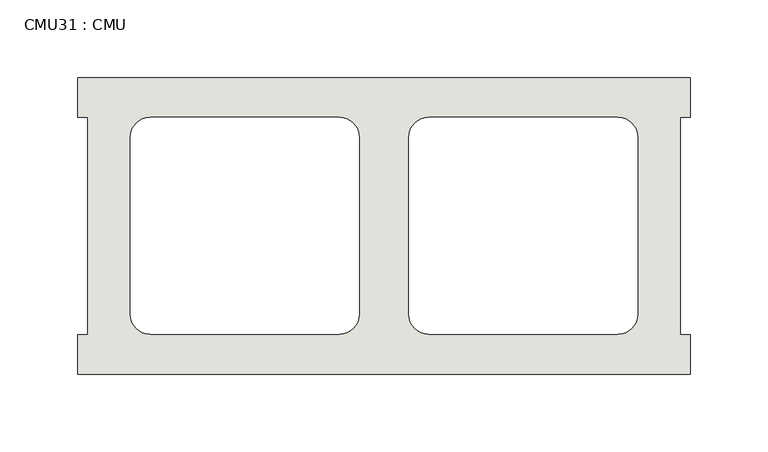
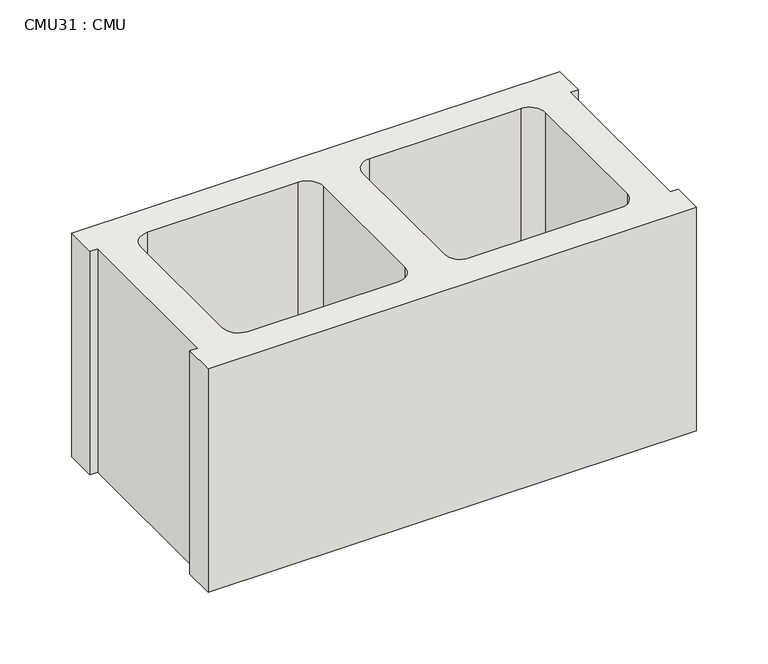
"""IFC4 building model written with IfcOpenShell, lengths in millimetres: wall geometry, CMU31 : CMU."""

import ifcopenshell
import ifcopenshell.guid

model = None  # the IFC model being written
_history = None  # IfcOwnerHistory: only IFC2X3 demands one
_inside = {}  # id of a spatial element -> (the spatial element, [elements in it])
_under = {}  # id of a project, library or spatial element -> (it, [spatial elements below it])
_declared = {}  # id of a project -> (the project, [libraries it declares])
_typed = {}  # id of a type object -> (the type object, [elements of that type])
_made_of = {}  # id of a material, layer set ... -> (it, [elements and type objects made of it])


def new_model(schema):
    """Start an empty IFC model of exactly this schema.

    Asked for "IFC4X3", IfcOpenShell would pick the latest addendum, in which some entities
    have other attributes; the version numbers below select the first issue.
    IFC2X3 requires an IfcOwnerHistory on every rooted entity: one is made here for all.
    """
    global model, _history
    if schema == "IFC4X3":
        model = ifcopenshell.file(schema_version=(4, 3, 0, 0))
    else:
        model = ifcopenshell.file(schema=schema)
    _inside.clear()
    _under.clear()
    _declared.clear()
    _typed.clear()
    _made_of.clear()
    _history = None
    if model.schema == "IFC2X3":
        org = make("IfcOrganization", Name="unknown")
        user = make(
            "IfcPersonAndOrganization",
            ThePerson=make("IfcPerson", FamilyName="unknown"),
            TheOrganization=org,
        )
        app = make(
            "IfcApplication",
            ApplicationDeveloper=org,
            Version="unknown",
            ApplicationFullName="unknown",
            ApplicationIdentifier="unknown",
        )
        _history = make(
            "IfcOwnerHistory",
            OwningUser=user,
            OwningApplication=app,
            ChangeAction="ADDED",
            CreationDate=0,
        )
    return model


def make(cls, **values):
    """One entity of the class cls with the attributes given. An attribute that is None is left unset."""
    return model.create_entity(
        cls, **{name: value for name, value in values.items() if value is not None}
    )


def rooted(cls, **values):
    """An entity with a GlobalId (a new one), such as an element, a storey or a relation."""
    return make(cls, GlobalId=ifcopenshell.guid.new(), OwnerHistory=_history, **values)


def si_unit(unit_type, name, prefix=None):
    """IfcSIUnit, for example si_unit("LENGTHUNIT", "METRE", prefix="MILLI")."""
    return make("IfcSIUnit", UnitType=unit_type, Prefix=prefix, Name=name)


def assignment(units):
    """IfcUnitAssignment: the units of a project."""
    return None if units is None else make("IfcUnitAssignment", Units=units)


def point(xyz):
    """IfcCartesianPoint."""
    return None if xyz is None else make("IfcCartesianPoint", Coordinates=xyz)


def direction(xyz):
    """IfcDirection."""
    return None if xyz is None else make("IfcDirection", DirectionRatios=xyz)


def frame(location, z_axis=None, x_axis=None):
    """IfcAxis2Placement3D, a coordinate frame: its origin and axes. An axis left out is left unset."""
    return make(
        "IfcAxis2Placement3D",
        Location=point(location),
        Axis=direction(z_axis),
        RefDirection=direction(x_axis),
    )


def frame_2d(location, x_axis=None):
    """IfcAxis2Placement2D, a coordinate frame in the plane: its origin and x axis."""
    return make(
        "IfcAxis2Placement2D", Location=point(location), RefDirection=direction(x_axis)
    )


def origin():
    """The frame at (0, 0, 0) with its axes left unset."""
    return frame((0.0, 0.0, 0.0))


def place(relative_to, where):
    """IfcLocalPlacement: puts the frame where relative to a parent placement (None: the world)."""
    return make(
        "IfcLocalPlacement", PlacementRelTo=relative_to, RelativePlacement=where
    )


def context(
    kind, dimensions, precision=None, world=None, true_north=None, identifier=None
):
    """IfcGeometricRepresentationContext, for example the 3D "Model" context."""
    return make(
        "IfcGeometricRepresentationContext",
        ContextIdentifier=identifier,
        ContextType=kind,
        CoordinateSpaceDimension=dimensions,
        Precision=precision,
        WorldCoordinateSystem=world,
        TrueNorth=true_north,
    )


def project(units=None, contexts=None):
    """IfcProject with its units and contexts."""
    return rooted(
        "IfcProject",
        Name="project",
        RepresentationContexts=contexts,
        UnitsInContext=assignment(units),
    )


def spatial(cls, under=None, at=None, **own):
    """A site, building, storey or space (cls), placed at a placement, below another one or the project."""
    s = rooted(cls, ObjectPlacement=at, **own)
    if under is not None:
        _under.setdefault(under.id(), (under, []))[1].append(s)
    return s


def polyline(points):
    """IfcPolyline through the points."""
    return make("IfcPolyline", Points=[point(p) for p in points])


def circle_curve(where, radius):
    """IfcCircle in the frame where."""
    return make("IfcCircle", Position=where, Radius=radius)


def trimmed(basis, trim1, trim2, sense, master):
    """IfcTrimmedCurve: the piece of a basis curve between two trims."""
    return make(
        "IfcTrimmedCurve",
        BasisCurve=basis,
        Trim1=trim1,
        Trim2=trim2,
        SenseAgreement=sense,
        MasterRepresentation=master,
    )


def segment(curve, same_sense, transition):
    """IfcCompositeCurveSegment."""
    return make(
        "IfcCompositeCurveSegment",
        Transition=transition,
        SameSense=same_sense,
        ParentCurve=curve,
    )


def composite_curve(segments, self_intersect=None):
    """IfcCompositeCurve: segments joined end to end."""
    return make("IfcCompositeCurve", Segments=segments, SelfIntersect=self_intersect)


def outline(outer, holes=None, kind="AREA"):
    """IfcArbitraryClosedProfileDef: a profile drawn as a closed curve; with holes, ...WithVoids."""
    if holes is None:
        return make("IfcArbitraryClosedProfileDef", ProfileType=kind, OuterCurve=outer)
    return make(
        "IfcArbitraryProfileDefWithVoids",
        ProfileType=kind,
        OuterCurve=outer,
        InnerCurves=holes,
    )


def extrude(swept, where, along, depth):
    """IfcExtrudedAreaSolid: the profile swept, set in the frame where, extruded along a direction by depth."""
    return make(
        "IfcExtrudedAreaSolid",
        SweptArea=swept,
        Position=where,
        ExtrudedDirection=direction(along),
        Depth=depth,
    )


def shape(context_of_items, identifier, shape_type, items):
    """IfcShapeRepresentation: the items that make up one representation, for example the "Body"."""
    return make(
        "IfcShapeRepresentation",
        ContextOfItems=context_of_items,
        RepresentationIdentifier=identifier,
        RepresentationType=shape_type,
        Items=items,
    )


def source(mapping_origin, context_of_items, identifier, shape_type, items):
    """IfcRepresentationMap: a shape defined once, which mapped items show again and again."""
    return make(
        "IfcRepresentationMap",
        MappingOrigin=mapping_origin,
        MappedRepresentation=shape(context_of_items, identifier, shape_type, items),
    )


def transform(
    local_origin,
    x_axis=None,
    y_axis=None,
    z_axis=None,
    scale=None,
    scale2=None,
    scale3=None,
    uniform=True,
):
    """IfcCartesianTransformationOperator3D, or its non-uniform kind. x_axis, y_axis, z_axis: its Axis1, 2, 3."""
    if uniform:
        return make(
            "IfcCartesianTransformationOperator3D",
            Axis1=direction(x_axis),
            Axis2=direction(y_axis),
            LocalOrigin=point(local_origin),
            Scale=scale,
            Axis3=direction(z_axis),
        )
    return make(
        "IfcCartesianTransformationOperator3DnonUniform",
        Axis1=direction(x_axis),
        Axis2=direction(y_axis),
        LocalOrigin=point(local_origin),
        Scale=scale,
        Axis3=direction(z_axis),
        Scale2=scale2,
        Scale3=scale3,
    )


def mapped(mapping_source, mapping_target):
    """IfcMappedItem: shows the shape of a source again, moved by a transform."""
    return make(
        "IfcMappedItem", MappingSource=mapping_source, MappingTarget=mapping_target
    )


def made_of(thing, what):
    """Note that an element or type object is made of a material, layer set ...; save() writes the relation."""
    if what is not None:
        _made_of.setdefault(what.id(), (what, []))[1].append(thing)
    return thing


def element(
    cls,
    number,
    at=None,
    inside=None,
    cuts=None,
    type_object=None,
    material=None,
    context=None,
    identifier="Body",
    shape_type=None,
    held_by="IfcProductDefinitionShape",
    body=None,
    shapes=None,
    **own,
):
    """One element of the class cls, such as IfcWall. Its Tag is "e" and its number.

    at: its placement. inside: the storey or other place that contains it. cuts: it is an
    opening in that element (IfcRelVoidsElement). A single representation is given by context,
    identifier, shape_type and body (its items); several are given by shapes. held_by: the class
    of the entity that holds the representations. save() writes the other relations.
    """
    e = rooted(cls, Tag="e%d" % number, ObjectPlacement=at, **own)
    if body is not None:
        shapes = [shape(context, identifier, shape_type, body)]
    if shapes is not None:
        e.Representation = make(held_by, Representations=shapes)
    if inside is not None:
        _inside.setdefault(inside.id(), (inside, []))[1].append(e)
    if cuts is not None:
        rooted(
            "IfcRelVoidsElement", RelatingBuildingElement=cuts, RelatedOpeningElement=e
        )
    if type_object is not None:
        _typed.setdefault(type_object.id(), (type_object, []))[1].append(e)
    return made_of(e, material)


def aggregate(whole, parts):
    """IfcRelAggregates: a whole, such as a stair, and the parts it consists of."""
    return rooted("IfcRelAggregates", RelatingObject=whole, RelatedObjects=parts)


def save(model, path):
    """Write the relations noted so far, then the file.

    IfcRelAggregates (storeys below a building ...), IfcRelContainedInSpatialStructure (elements
    in a storey), IfcRelDefinesByType, IfcRelAssociatesMaterial and IfcRelDeclares: one each for
    every whole, place, type object, material and project.
    """
    for whole, parts in _under.values():
        aggregate(whole, parts)
    for where, things in _inside.values():
        rooted(
            "IfcRelContainedInSpatialStructure",
            RelatedElements=things,
            RelatingStructure=where,
        )
    for kind, things in _typed.values():
        rooted("IfcRelDefinesByType", RelatedObjects=things, RelatingType=kind)
    for what, things in _made_of.values():
        rooted("IfcRelAssociatesMaterial", RelatedObjects=things, RelatingMaterial=what)
    for by, libraries in _declared.values():
        rooted("IfcRelDeclares", RelatingContext=by, RelatedDefinitions=libraries)
    model.write(path)


def cmu31_cmu_f80254c0(model_context):
    return source(origin(), model_context, "Body", "SweptSolid", [
        extrude(outline(polyline([(164.8060968, 2871.3003704), (558.5060968, 2871.3003704), (558.5060968, 2845.9003704), (552.1560968, 2845.9003704), (552.1560968, 2706.2003704), (558.5060968, 2706.2003704), (558.5060968, 2680.8003704), (164.8060968, 2680.8003704), (164.8060968, 2706.2003704), (171.1560968, 2706.2003704), (171.1560968, 2845.9003704), (164.8060968, 2845.9003704), (164.8060968, 2871.3003704)]), holes=[composite_curve([segment(polyline([(332.9740955, 2845.9003704), (211.2574454, 2845.9003704)]), True, "CONTINUOUS"), segment(trimmed(circle_curve(frame_2d((211.2574454, 2833.2003704)), 12.7), [point((211.2574454, 2845.9003704))], [point((198.5574454, 2833.2003704))], True, "CARTESIAN"), True, "CONTINUOUS"), segment(polyline([(198.5574454, 2833.2003704), (198.5574454, 2719.1345307)]), True, "CONTINUOUS"), segment(trimmed(circle_curve(frame_2d((211.2574454, 2719.1345307)), 12.7), [point((198.5574454, 2719.1345307))], [point((211.2574454, 2706.4345307))], True, "CARTESIAN"), True, "CONTINUOUS"), segment(polyline([(211.2574454, 2706.4345307), (332.9740955, 2706.4345307)]), True, "CONTINUOUS"), segment(trimmed(circle_curve(frame_2d((332.9740955, 2719.1345307)), 12.7), [point((332.9740955, 2706.4345307))], [point((345.6740955, 2719.1345307))], True, "CARTESIAN"), True, "CONTINUOUS"), segment(polyline([(345.6740955, 2719.1345307), (345.6740955, 2833.2003704)]), True, "CONTINUOUS"), segment(trimmed(circle_curve(frame_2d((332.9740955, 2833.2003704)), 12.7), [point((345.6740955, 2833.2003704))], [point((332.9740955, 2845.9003704))], True, "CARTESIAN"), True, "CONTINUOUS")], self_intersect=False), composite_curve([segment(trimmed(circle_curve(frame_2d((390.3380982, 2833.2003704)), 12.7), [point((390.3380982, 2845.9003704))], [point((377.6380982, 2833.2003704))], True, "CARTESIAN"), True, "CONTINUOUS"), segment(polyline([(377.6380982, 2833.2003704), (377.6380982, 2719.1345307)]), True, "CONTINUOUS"), segment(trimmed(circle_curve(frame_2d((390.3380982, 2719.1345307)), 12.7), [point((377.6380982, 2719.1345307))], [point((390.3380982, 2706.4345307))], True, "CARTESIAN"), True, "CONTINUOUS"), segment(polyline([(390.3380982, 2706.4345307), (512.0547483, 2706.4345307)]), True, "CONTINUOUS"), segment(trimmed(circle_curve(frame_2d((512.0547483, 2719.1345307)), 12.7), [point((512.0547483, 2706.4345307))], [point((524.7547483, 2719.1345307))], True, "CARTESIAN"), True, "CONTINUOUS"), segment(polyline([(524.7547483, 2719.1345307), (524.7547483, 2833.2003704)]), True, "CONTINUOUS"), segment(trimmed(circle_curve(frame_2d((512.0547483, 2833.2003704)), 12.7), [point((524.7547483, 2833.2003704))], [point((512.0547483, 2845.9003704))], True, "CARTESIAN"), True, "CONTINUOUS"), segment(polyline([(512.0547483, 2845.9003704), (390.3380982, 2845.9003704)]), True, "CONTINUOUS")], self_intersect=False)]), frame((0.0, 0.0, 406.4), z_axis=(0.0, 0.0, 1.0), x_axis=(1.0, 0.0, 0.0)), (0.0, 0.0, 1.0), 190.5),
    ])


if __name__ == "__main__":
    model = new_model("IFC4")
    model_context = context("Model", 3, world=origin())
    ifc_project = project(units=[si_unit("LENGTHUNIT", "METRE", prefix="MILLI")], contexts=[model_context])
    site = spatial("IfcSite", under=ifc_project)
    building = spatial("IfcBuilding", under=site)
    placement = place(None, origin())
    cmu31_cmu_shape = cmu31_cmu_f80254c0(model_context)
    element("IfcWall", 1, ObjectType="CMU31 : CMU", at=placement, inside=building, context=model_context, shape_type="MappedRepresentation", body=[
        mapped(cmu31_cmu_shape, transform((0.0, 0.0, 0.0), x_axis=(1.0, 0.0, 0.0), y_axis=(0.0, 1.0, 0.0), z_axis=(0.0, 0.0, 1.0))),
    ])
    save(model, "model.ifc")
